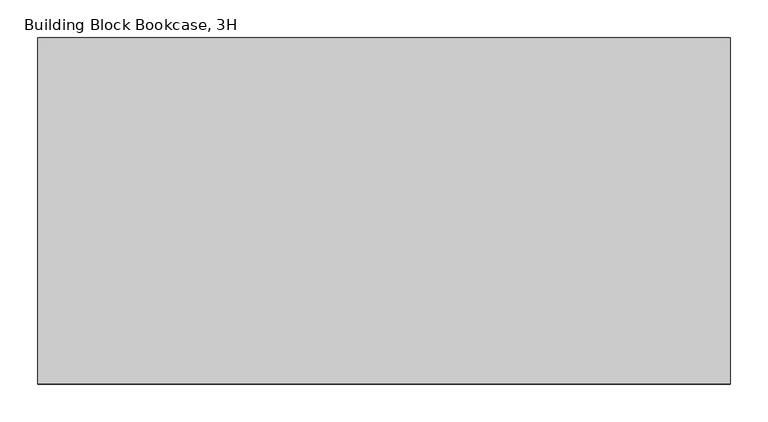
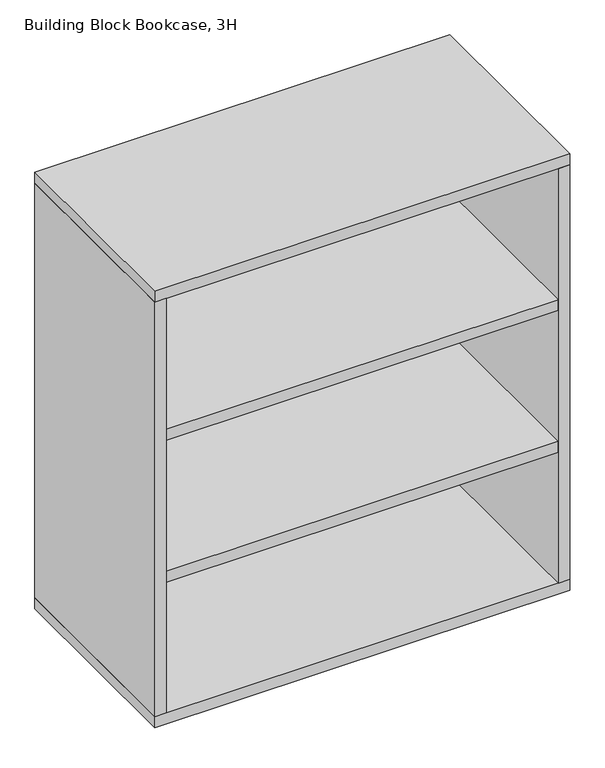
"""IFC4 building model written with IfcOpenShell, lengths in millimetres: furniture geometry, Building Block Bookcase, 3H."""

from ifc_helpers import new_model, si_unit, point, frame, frame_2d, origin, origin_with_axes, place, context, project, spatial, polyline, circle_curve, trimmed, segment, composite_curve, outline, extrude, source, transform, mapped, element, save


def building_block_bookcase_3h_832c05f7(model_context):
    return source(origin(), model_context, "Body", "SweptSolid", [
        extrude(outline(polyline([(889.0, -12.7), (25.4, -12.7), (25.4, -9.7487804), (889.0, -9.7487804), (889.0, -12.7)])), frame((0.0, 0.0, 38.1), z_axis=(0.0, 0.0, 1.0), x_axis=(1.0, 0.0, 0.0)), (0.0, 0.0, 1.0), 965.2),
        extrude(outline(polyline([(889.0, 0.0), (914.4, 0.0), (914.4, -457.2), (889.0, -457.2), (889.0, 0.0)])), frame((0.0, 0.0, 38.1), z_axis=(0.0, 0.0, 1.0), x_axis=(1.0, 0.0, 0.0)), (0.0, 0.0, 1.0), 965.2),
        extrude(outline(polyline([(25.4, -457.2), (0.0, -457.2), (0.0, 0.0), (25.4, 0.0), (25.4, -457.2)])), frame((0.0, 0.0, 38.1), z_axis=(0.0, 0.0, 1.0), x_axis=(1.0, 0.0, 0.0)), (0.0, 0.0, 1.0), 965.2),
        extrude(outline(polyline([(914.4, 0.0), (914.4, -457.2), (0.0, -457.2), (0.0, 0.0), (914.4, 0.0)])), frame((0.0, 0.0, 1003.3), z_axis=(0.0, 0.0, 1.0), x_axis=(1.0, 0.0, 0.0)), (0.0, 0.0, 1.0), 25.4),
        extrude(outline(polyline([(914.4, -457.2), (0.0, -457.2), (0.0, 0.0), (914.4, 0.0), (914.4, -457.2)])), frame((0.0, 0.0, 12.7), z_axis=(0.0, 0.0, 1.0), x_axis=(1.0, 0.0, 0.0)), (0.0, 0.0, 1.0), 25.4),
        extrude(outline(polyline([(889.0, -457.2), (25.4, -457.2), (25.4, -12.7), (889.0, -12.7), (889.0, -457.2)])), frame((0.0, 0.0, 342.9), z_axis=(0.0, 0.0, 1.0), x_axis=(1.0, 0.0, 0.0)), (0.0, 0.0, 1.0), 25.4),
        extrude(outline(polyline([(889.0, -457.2), (25.4, -457.2), (25.4, -12.7), (889.0, -12.7), (889.0, -457.2)])), frame((0.0, 0.0, 673.1), z_axis=(0.0, 0.0, 1.0), x_axis=(1.0, 0.0, 0.0)), (0.0, 0.0, 1.0), 25.4),
        extrude(outline(composite_curve([segment(trimmed(circle_curve(frame_2d((28.5450835, 863.6)), 0.9921875), [point((28.5450835, 864.5921875))], [point((28.5450835, 862.6078125))], False, "CARTESIAN"), True, "CONTINUOUS"), segment(trimmed(circle_curve(frame_2d((28.5450835, 863.6)), 0.9921875), [point((28.5450835, 862.6078125))], [point((28.5450835, 864.5921875))], False, "CARTESIAN"), True, "CONTINUOUS")], self_intersect=False)), frame((0.0, -432.9785671, 0.0), z_axis=(0.0, 1.0, 0.0), x_axis=(0.0, 0.0, 1.0)), (0.0, 0.0, 1.0), 53.0422756),
        extrude(outline(polyline([(12.7, 832.6896756), (11.7078125, 854.6518893), (11.7078125, 874.0068204), (12.7, 874.0068204), (12.7, 832.6896756)])), frame((0.0, -434.6443623, 0.0), z_axis=(0.0, 1.0, 0.0), x_axis=(0.0, 0.0, 1.0)), (0.0, 0.0, 1.0), 0.9921875),
        extrude(outline(composite_curve([segment(trimmed(circle_curve(frame_2d((28.5450835, 50.8)), 0.9921875), [point((28.5450835, 49.8078125))], [point((28.5450835, 51.7921875))], False, "CARTESIAN"), True, "CONTINUOUS"), segment(trimmed(circle_curve(frame_2d((28.5450835, 50.8)), 0.9921875), [point((28.5450835, 51.7921875))], [point((28.5450835, 49.8078125))], False, "CARTESIAN"), True, "CONTINUOUS")], self_intersect=False)), frame((0.0, -432.9785671, 0.0), z_axis=(0.0, 1.0, 0.0), x_axis=(0.0, 0.0, 1.0)), (0.0, 0.0, 1.0), 53.0422756),
        extrude(outline(polyline([(12.7, 81.7103244), (12.7, 40.3931796), (11.7078125, 40.3931796), (11.7078125, 59.7481107), (12.7, 81.7103244)])), frame((0.0, -434.6443623, 0.0), z_axis=(0.0, 1.0, 0.0), x_axis=(0.0, 0.0, 1.0)), (0.0, 0.0, 1.0), 0.9921875),
        extrude(outline(composite_curve([segment(trimmed(circle_curve(frame_2d((28.5450835, 863.6)), 0.9921875), [point((28.5450835, 864.5921875))], [point((28.5450835, 862.6078125))], False, "CARTESIAN"), True, "CONTINUOUS"), segment(trimmed(circle_curve(frame_2d((28.5450835, 863.6)), 0.9921875), [point((28.5450835, 862.6078125))], [point((28.5450835, 864.5921875))], False, "CARTESIAN"), True, "CONTINUOUS")], self_intersect=False)), frame((0.0, -77.2637085, 0.0), z_axis=(0.0, 1.0, 0.0), x_axis=(0.0, 0.0, 1.0)), (0.0, 0.0, 1.0), 53.0422756),
        extrude(outline(polyline([(12.7, 832.6896756), (11.7078125, 854.6518893), (11.7078125, 874.0068204), (12.7, 874.0068204), (12.7, 832.6896756)])), frame((0.0, -23.5478252, 0.0), z_axis=(0.0, 1.0, 0.0), x_axis=(0.0, 0.0, 1.0)), (0.0, 0.0, 1.0), 0.9921875),
        extrude(outline(composite_curve([segment(trimmed(circle_curve(frame_2d((28.5450835, 50.8)), 0.9921875), [point((28.5450835, 49.8078125))], [point((28.5450835, 51.7921875))], False, "CARTESIAN"), True, "CONTINUOUS"), segment(trimmed(circle_curve(frame_2d((28.5450835, 50.8)), 0.9921875), [point((28.5450835, 51.7921875))], [point((28.5450835, 49.8078125))], False, "CARTESIAN"), True, "CONTINUOUS")], self_intersect=False)), frame((0.0, -77.2637085, 0.0), z_axis=(0.0, 1.0, 0.0), x_axis=(0.0, 0.0, 1.0)), (0.0, 0.0, 1.0), 53.0422756),
        extrude(outline(polyline([(12.7, 81.7103244), (12.7, 40.3931796), (11.7078125, 40.3931796), (11.7078125, 59.7481107), (12.7, 81.7103244)])), frame((0.0, -23.5478252, 0.0), z_axis=(0.0, 1.0, 0.0), x_axis=(0.0, 0.0, 1.0)), (0.0, 0.0, 1.0), 0.9921875),
        extrude(outline(composite_curve([segment(trimmed(circle_curve(frame_2d((850.9, -406.4)), 15.9254799), [point((866.8254799, -406.4))], [point((834.9745201, -406.4))], False, "CARTESIAN"), True, "CONTINUOUS"), segment(trimmed(circle_curve(frame_2d((850.9, -406.4)), 15.9254799), [point((834.9745201, -406.4))], [point((866.8254799, -406.4))], False, "CARTESIAN"), True, "CONTINUOUS")], self_intersect=False)), origin_with_axes(), (0.0, 0.0, 1.0), 7.9375),
        extrude(outline(composite_curve([segment(trimmed(circle_curve(frame_2d((850.9, -406.4)), 10.16), [point((861.06, -406.4))], [point((840.74, -406.4))], False, "CARTESIAN"), True, "CONTINUOUS"), segment(trimmed(circle_curve(frame_2d((850.9, -406.4)), 10.16), [point((840.74, -406.4))], [point((861.06, -406.4))], False, "CARTESIAN"), True, "CONTINUOUS")], self_intersect=False)), frame((0.0, 0.0, 7.9375), z_axis=(0.0, 0.0, 1.0), x_axis=(1.0, 0.0, 0.0)), (0.0, 0.0, 1.0), 4.7625),
        extrude(outline(composite_curve([segment(trimmed(circle_curve(frame_2d((850.9, -50.8)), 15.9254799), [point((866.8254799, -50.8))], [point((834.9745201, -50.8))], False, "CARTESIAN"), True, "CONTINUOUS"), segment(trimmed(circle_curve(frame_2d((850.9, -50.8)), 15.9254799), [point((834.9745201, -50.8))], [point((866.8254799, -50.8))], False, "CARTESIAN"), True, "CONTINUOUS")], self_intersect=False)), origin_with_axes(), (0.0, 0.0, 1.0), 7.9375),
        extrude(outline(composite_curve([segment(trimmed(circle_curve(frame_2d((850.9, -50.8)), 10.16), [point((861.06, -50.8))], [point((840.74, -50.8))], False, "CARTESIAN"), True, "CONTINUOUS"), segment(trimmed(circle_curve(frame_2d((850.9, -50.8)), 10.16), [point((840.74, -50.8))], [point((861.06, -50.8))], False, "CARTESIAN"), True, "CONTINUOUS")], self_intersect=False)), frame((0.0, 0.0, 7.9375), z_axis=(0.0, 0.0, 1.0), x_axis=(1.0, 0.0, 0.0)), (0.0, 0.0, 1.0), 4.7625),
        extrude(outline(composite_curve([segment(trimmed(circle_curve(frame_2d((63.5, -406.4)), 15.9254799), [point((47.5745201, -406.4))], [point((79.4254799, -406.4))], False, "CARTESIAN"), True, "CONTINUOUS"), segment(trimmed(circle_curve(frame_2d((63.5, -406.4)), 15.9254799), [point((79.4254799, -406.4))], [point((47.5745201, -406.4))], False, "CARTESIAN"), True, "CONTINUOUS")], self_intersect=False)), origin_with_axes(), (0.0, 0.0, 1.0), 7.9375),
        extrude(outline(composite_curve([segment(trimmed(circle_curve(frame_2d((63.5, -406.4)), 10.16), [point((53.34, -406.4))], [point((73.66, -406.4))], False, "CARTESIAN"), True, "CONTINUOUS"), segment(trimmed(circle_curve(frame_2d((63.5, -406.4)), 10.16), [point((73.66, -406.4))], [point((53.34, -406.4))], False, "CARTESIAN"), True, "CONTINUOUS")], self_intersect=False)), frame((0.0, 0.0, 7.9375), z_axis=(0.0, 0.0, 1.0), x_axis=(1.0, 0.0, 0.0)), (0.0, 0.0, 1.0), 4.7625),
        extrude(outline(composite_curve([segment(trimmed(circle_curve(frame_2d((63.5, -50.8)), 15.9254799), [point((47.5745201, -50.8))], [point((79.4254799, -50.8))], False, "CARTESIAN"), True, "CONTINUOUS"), segment(trimmed(circle_curve(frame_2d((63.5, -50.8)), 15.9254799), [point((79.4254799, -50.8))], [point((47.5745201, -50.8))], False, "CARTESIAN"), True, "CONTINUOUS")], self_intersect=False)), origin_with_axes(), (0.0, 0.0, 1.0), 7.9375),
        extrude(outline(composite_curve([segment(trimmed(circle_curve(frame_2d((63.5, -50.8)), 10.16), [point((53.34, -50.8))], [point((73.66, -50.8))], False, "CARTESIAN"), True, "CONTINUOUS"), segment(trimmed(circle_curve(frame_2d((63.5, -50.8)), 10.16), [point((73.66, -50.8))], [point((53.34, -50.8))], False, "CARTESIAN"), True, "CONTINUOUS")], self_intersect=False)), frame((0.0, 0.0, 7.9375), z_axis=(0.0, 0.0, 1.0), x_axis=(1.0, 0.0, 0.0)), (0.0, 0.0, 1.0), 4.7625),
    ])


if __name__ == "__main__":
    model = new_model("IFC4")
    model_context = context("Model", 3, world=origin())
    ifc_project = project(units=[si_unit("LENGTHUNIT", "METRE", prefix="MILLI")], contexts=[model_context])
    site = spatial("IfcSite", under=ifc_project)
    building = spatial("IfcBuilding", under=site)
    placement = place(None, origin())
    building_block_bookcase_3h_shape = building_block_bookcase_3h_832c05f7(model_context)
    element("IfcFurniture", 1, ObjectType="Building Block Bookcase, 3H", at=placement, inside=building, context=model_context, shape_type="MappedRepresentation", body=[
        mapped(building_block_bookcase_3h_shape, transform((0.0, 0.0, 0.0), x_axis=(1.0, 0.0, 0.0), y_axis=(0.0, 1.0, 0.0), z_axis=(0.0, 0.0, 1.0))),
    ])
    save(model, "model.ifc")
